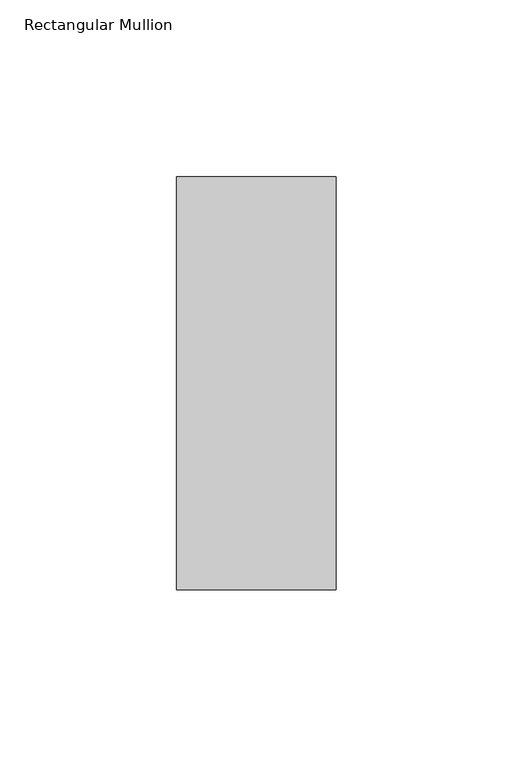
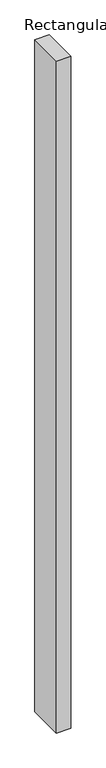
"""IFC4 building model written with IfcOpenShell, lengths in millimetres: member geometry, Rectangular Mullion."""

from ifc_helpers import new_model, si_unit, frame, origin, place, context, project, spatial, polyline, outline, extrude, source, transform, mapped, element, save


def rectangular_mullion_1ecf44f7(model_context):
    return source(origin(), model_context, "Body", "SweptSolid", [
        extrude(outline(polyline([(22.5226562, 73.875), (22.5226562, -42.8257813), (-22.5226562, -42.8257813), (-22.5226562, 73.875), (22.5226562, 73.875)])), frame((0.0, 0.0, -2225.6663238), z_axis=(0.0, 0.0, 1.0), x_axis=(1.0, 0.0, 0.0)), (0.0, 0.0, 1.0), 2225.6663238),
    ])


if __name__ == "__main__":
    model = new_model("IFC4")
    model_context = context("Model", 3, world=origin())
    ifc_project = project(units=[si_unit("LENGTHUNIT", "METRE", prefix="MILLI")], contexts=[model_context])
    site = spatial("IfcSite", under=ifc_project)
    building = spatial("IfcBuilding", under=site)
    placement = place(None, origin())
    rectangular_mullion_shape = rectangular_mullion_1ecf44f7(model_context)
    element("IfcMember", 1, ObjectType="Rectangular Mullion", at=placement, inside=building, context=model_context, shape_type="MappedRepresentation", body=[
        mapped(rectangular_mullion_shape, transform((0.0, 0.0, 0.0), x_axis=(1.0, 0.0, 0.0), y_axis=(0.0, 1.0, 0.0), z_axis=(0.0, 0.0, 1.0))),
    ])
    save(model, "model.ifc")
